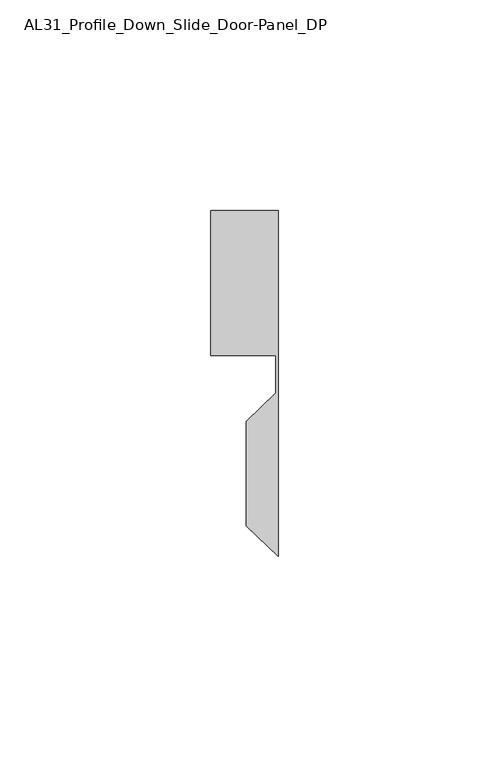
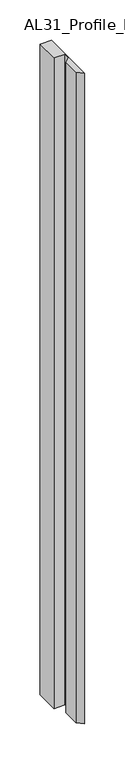
"""IFC4 building model written with IfcOpenShell, lengths in millimetres: member geometry, AL31_Profile_Down_Slide_Door-Panel_DP."""

import ifcopenshell
import ifcopenshell.guid

model = None  # the IFC model being written
_history = None  # IfcOwnerHistory: only IFC2X3 demands one
_inside = {}  # id of a spatial element -> (the spatial element, [elements in it])
_under = {}  # id of a project, library or spatial element -> (it, [spatial elements below it])
_declared = {}  # id of a project -> (the project, [libraries it declares])
_typed = {}  # id of a type object -> (the type object, [elements of that type])
_made_of = {}  # id of a material, layer set ... -> (it, [elements and type objects made of it])


def new_model(schema):
    """Start an empty IFC model of exactly this schema.

    Asked for "IFC4X3", IfcOpenShell would pick the latest addendum, in which some entities
    have other attributes; the version numbers below select the first issue.
    IFC2X3 requires an IfcOwnerHistory on every rooted entity: one is made here for all.
    """
    global model, _history
    if schema == "IFC4X3":
        model = ifcopenshell.file(schema_version=(4, 3, 0, 0))
    else:
        model = ifcopenshell.file(schema=schema)
    _inside.clear()
    _under.clear()
    _declared.clear()
    _typed.clear()
    _made_of.clear()
    _history = None
    if model.schema == "IFC2X3":
        org = make("IfcOrganization", Name="unknown")
        user = make(
            "IfcPersonAndOrganization",
            ThePerson=make("IfcPerson", FamilyName="unknown"),
            TheOrganization=org,
        )
        app = make(
            "IfcApplication",
            ApplicationDeveloper=org,
            Version="unknown",
            ApplicationFullName="unknown",
            ApplicationIdentifier="unknown",
        )
        _history = make(
            "IfcOwnerHistory",
            OwningUser=user,
            OwningApplication=app,
            ChangeAction="ADDED",
            CreationDate=0,
        )
    return model


def make(cls, **values):
    """One entity of the class cls with the attributes given. An attribute that is None is left unset."""
    return model.create_entity(
        cls, **{name: value for name, value in values.items() if value is not None}
    )


def rooted(cls, **values):
    """An entity with a GlobalId (a new one), such as an element, a storey or a relation."""
    return make(cls, GlobalId=ifcopenshell.guid.new(), OwnerHistory=_history, **values)


def si_unit(unit_type, name, prefix=None):
    """IfcSIUnit, for example si_unit("LENGTHUNIT", "METRE", prefix="MILLI")."""
    return make("IfcSIUnit", UnitType=unit_type, Prefix=prefix, Name=name)


def assignment(units):
    """IfcUnitAssignment: the units of a project."""
    return None if units is None else make("IfcUnitAssignment", Units=units)


def point(xyz):
    """IfcCartesianPoint."""
    return None if xyz is None else make("IfcCartesianPoint", Coordinates=xyz)


def direction(xyz):
    """IfcDirection."""
    return None if xyz is None else make("IfcDirection", DirectionRatios=xyz)


def frame(location, z_axis=None, x_axis=None):
    """IfcAxis2Placement3D, a coordinate frame: its origin and axes. An axis left out is left unset."""
    return make(
        "IfcAxis2Placement3D",
        Location=point(location),
        Axis=direction(z_axis),
        RefDirection=direction(x_axis),
    )


def origin():
    """The frame at (0, 0, 0) with its axes left unset."""
    return frame((0.0, 0.0, 0.0))


def place(relative_to, where):
    """IfcLocalPlacement: puts the frame where relative to a parent placement (None: the world)."""
    return make(
        "IfcLocalPlacement", PlacementRelTo=relative_to, RelativePlacement=where
    )


def context(
    kind, dimensions, precision=None, world=None, true_north=None, identifier=None
):
    """IfcGeometricRepresentationContext, for example the 3D "Model" context."""
    return make(
        "IfcGeometricRepresentationContext",
        ContextIdentifier=identifier,
        ContextType=kind,
        CoordinateSpaceDimension=dimensions,
        Precision=precision,
        WorldCoordinateSystem=world,
        TrueNorth=true_north,
    )


def project(units=None, contexts=None):
    """IfcProject with its units and contexts."""
    return rooted(
        "IfcProject",
        Name="project",
        RepresentationContexts=contexts,
        UnitsInContext=assignment(units),
    )


def spatial(cls, under=None, at=None, **own):
    """A site, building, storey or space (cls), placed at a placement, below another one or the project."""
    s = rooted(cls, ObjectPlacement=at, **own)
    if under is not None:
        _under.setdefault(under.id(), (under, []))[1].append(s)
    return s


def polyline(points):
    """IfcPolyline through the points."""
    return make("IfcPolyline", Points=[point(p) for p in points])


def outline(outer, holes=None, kind="AREA"):
    """IfcArbitraryClosedProfileDef: a profile drawn as a closed curve; with holes, ...WithVoids."""
    if holes is None:
        return make("IfcArbitraryClosedProfileDef", ProfileType=kind, OuterCurve=outer)
    return make(
        "IfcArbitraryProfileDefWithVoids",
        ProfileType=kind,
        OuterCurve=outer,
        InnerCurves=holes,
    )


def extrude(swept, where, along, depth):
    """IfcExtrudedAreaSolid: the profile swept, set in the frame where, extruded along a direction by depth."""
    return make(
        "IfcExtrudedAreaSolid",
        SweptArea=swept,
        Position=where,
        ExtrudedDirection=direction(along),
        Depth=depth,
    )


def shape(context_of_items, identifier, shape_type, items):
    """IfcShapeRepresentation: the items that make up one representation, for example the "Body"."""
    return make(
        "IfcShapeRepresentation",
        ContextOfItems=context_of_items,
        RepresentationIdentifier=identifier,
        RepresentationType=shape_type,
        Items=items,
    )


def source(mapping_origin, context_of_items, identifier, shape_type, items):
    """IfcRepresentationMap: a shape defined once, which mapped items show again and again."""
    return make(
        "IfcRepresentationMap",
        MappingOrigin=mapping_origin,
        MappedRepresentation=shape(context_of_items, identifier, shape_type, items),
    )


def transform(
    local_origin,
    x_axis=None,
    y_axis=None,
    z_axis=None,
    scale=None,
    scale2=None,
    scale3=None,
    uniform=True,
):
    """IfcCartesianTransformationOperator3D, or its non-uniform kind. x_axis, y_axis, z_axis: its Axis1, 2, 3."""
    if uniform:
        return make(
            "IfcCartesianTransformationOperator3D",
            Axis1=direction(x_axis),
            Axis2=direction(y_axis),
            LocalOrigin=point(local_origin),
            Scale=scale,
            Axis3=direction(z_axis),
        )
    return make(
        "IfcCartesianTransformationOperator3DnonUniform",
        Axis1=direction(x_axis),
        Axis2=direction(y_axis),
        LocalOrigin=point(local_origin),
        Scale=scale,
        Axis3=direction(z_axis),
        Scale2=scale2,
        Scale3=scale3,
    )


def mapped(mapping_source, mapping_target):
    """IfcMappedItem: shows the shape of a source again, moved by a transform."""
    return make(
        "IfcMappedItem", MappingSource=mapping_source, MappingTarget=mapping_target
    )


def made_of(thing, what):
    """Note that an element or type object is made of a material, layer set ...; save() writes the relation."""
    if what is not None:
        _made_of.setdefault(what.id(), (what, []))[1].append(thing)
    return thing


def element(
    cls,
    number,
    at=None,
    inside=None,
    cuts=None,
    type_object=None,
    material=None,
    context=None,
    identifier="Body",
    shape_type=None,
    held_by="IfcProductDefinitionShape",
    body=None,
    shapes=None,
    **own,
):
    """One element of the class cls, such as IfcWall. Its Tag is "e" and its number.

    at: its placement. inside: the storey or other place that contains it. cuts: it is an
    opening in that element (IfcRelVoidsElement). A single representation is given by context,
    identifier, shape_type and body (its items); several are given by shapes. held_by: the class
    of the entity that holds the representations. save() writes the other relations.
    """
    e = rooted(cls, Tag="e%d" % number, ObjectPlacement=at, **own)
    if body is not None:
        shapes = [shape(context, identifier, shape_type, body)]
    if shapes is not None:
        e.Representation = make(held_by, Representations=shapes)
    if inside is not None:
        _inside.setdefault(inside.id(), (inside, []))[1].append(e)
    if cuts is not None:
        rooted(
            "IfcRelVoidsElement", RelatingBuildingElement=cuts, RelatedOpeningElement=e
        )
    if type_object is not None:
        _typed.setdefault(type_object.id(), (type_object, []))[1].append(e)
    return made_of(e, material)


def aggregate(whole, parts):
    """IfcRelAggregates: a whole, such as a stair, and the parts it consists of."""
    return rooted("IfcRelAggregates", RelatingObject=whole, RelatedObjects=parts)


def save(model, path):
    """Write the relations noted so far, then the file.

    IfcRelAggregates (storeys below a building ...), IfcRelContainedInSpatialStructure (elements
    in a storey), IfcRelDefinesByType, IfcRelAssociatesMaterial and IfcRelDeclares: one each for
    every whole, place, type object, material and project.
    """
    for whole, parts in _under.values():
        aggregate(whole, parts)
    for where, things in _inside.values():
        rooted(
            "IfcRelContainedInSpatialStructure",
            RelatedElements=things,
            RelatingStructure=where,
        )
    for kind, things in _typed.values():
        rooted("IfcRelDefinesByType", RelatedObjects=things, RelatingType=kind)
    for what, things in _made_of.values():
        rooted("IfcRelAssociatesMaterial", RelatedObjects=things, RelatingMaterial=what)
    for by, libraries in _declared.values():
        rooted("IfcRelDeclares", RelatingContext=by, RelatedDefinitions=libraries)
    model.write(path)


def al31_profile_down_slide_door_panel_dp_253faa00(model_context):
    return source(origin(), model_context, "Body", "SweptSolid", [
        extrude(outline(polyline([(0.0, 37.107), (0.0, -45.1094902), (-7.6107048, -37.8269611), (-7.6107048, -13.0546075), (-0.5072866, -6.2574907), (-0.5072866, 2.607), (-16.0427074, 2.607), (-16.0427074, 37.107), (0.0, 37.107)])), frame((0.0, 0.0, -984.8998979), z_axis=(0.0, 0.0, 1.0), x_axis=(1.0, 0.0, 0.0)), (0.0, 0.0, 1.0), 984.8998979),
    ])


if __name__ == "__main__":
    model = new_model("IFC4")
    model_context = context("Model", 3, world=origin())
    ifc_project = project(units=[si_unit("LENGTHUNIT", "METRE", prefix="MILLI")], contexts=[model_context])
    site = spatial("IfcSite", under=ifc_project)
    building = spatial("IfcBuilding", under=site)
    placement = place(None, origin())
    al31_profile_down_slide_door_panel_dp_shape = al31_profile_down_slide_door_panel_dp_253faa00(model_context)
    element("IfcMember", 1, ObjectType="AL31_Profile_Down_Slide_Door-Panel_DP", at=placement, inside=building, context=model_context, shape_type="MappedRepresentation", body=[
        mapped(al31_profile_down_slide_door_panel_dp_shape, transform((0.0, 0.0, 0.0), x_axis=(1.0, 0.0, 0.0), y_axis=(0.0, 1.0, 0.0), z_axis=(0.0, 0.0, 1.0))),
    ])
    save(model, "model.ifc")
